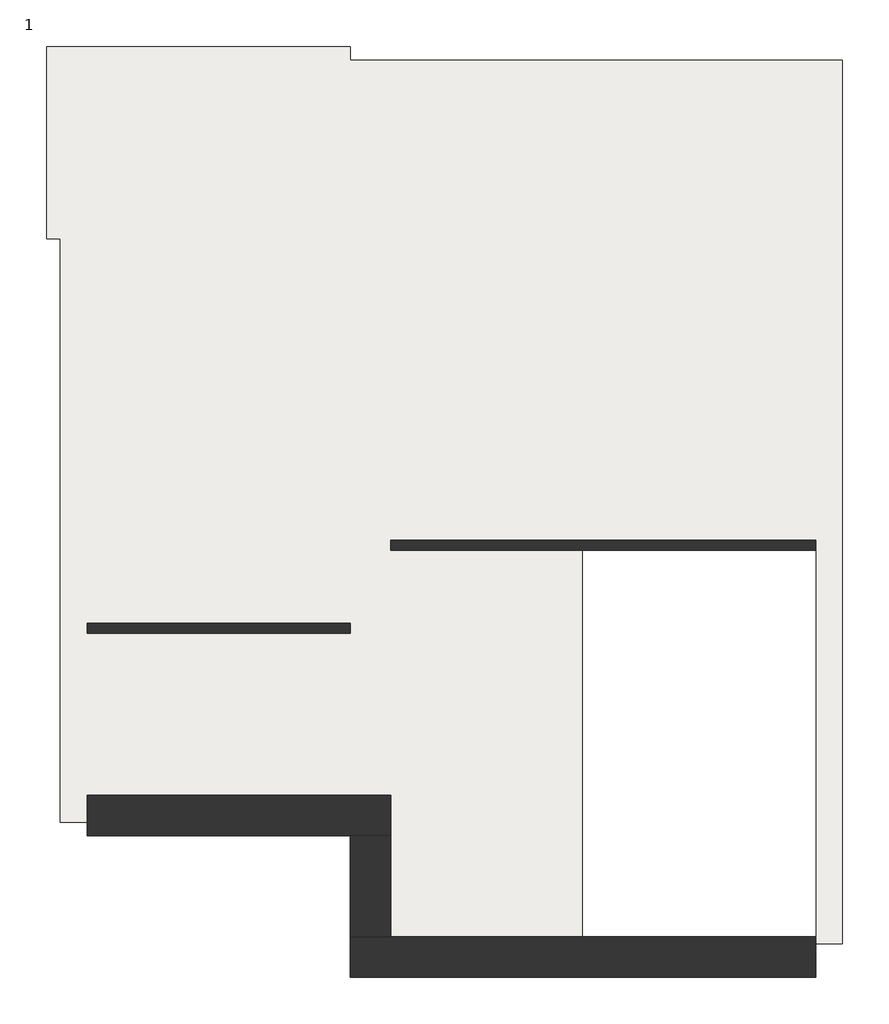
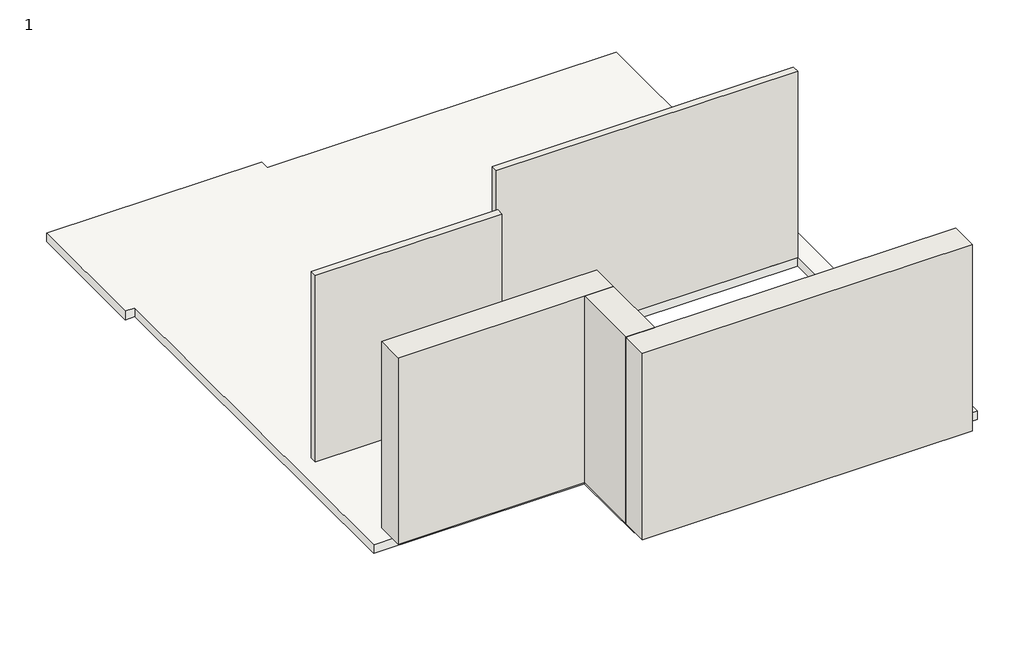
# One storey: 5 walls, 1 slab.
"""IFC4 building model written with IfcOpenShell, lengths in millimetres."""

import ifcopenshell
import ifcopenshell.guid

model = None  # the IFC model being written
_history = None  # IfcOwnerHistory: only IFC2X3 demands one
_inside = {}  # id of a spatial element -> (the spatial element, [elements in it])
_under = {}  # id of a project, library or spatial element -> (it, [spatial elements below it])
_declared = {}  # id of a project -> (the project, [libraries it declares])
_typed = {}  # id of a type object -> (the type object, [elements of that type])
_made_of = {}  # id of a material, layer set ... -> (it, [elements and type objects made of it])


def new_model(schema):
    """Start an empty IFC model of exactly this schema.

    Asked for "IFC4X3", IfcOpenShell would pick the latest addendum, in which some entities
    have other attributes; the version numbers below select the first issue.
    IFC2X3 requires an IfcOwnerHistory on every rooted entity: one is made here for all.
    """
    global model, _history
    if schema == "IFC4X3":
        model = ifcopenshell.file(schema_version=(4, 3, 0, 0))
    else:
        model = ifcopenshell.file(schema=schema)
    _inside.clear()
    _under.clear()
    _declared.clear()
    _typed.clear()
    _made_of.clear()
    _history = None
    if model.schema == "IFC2X3":
        org = make("IfcOrganization", Name="unknown")
        user = make(
            "IfcPersonAndOrganization",
            ThePerson=make("IfcPerson", FamilyName="unknown"),
            TheOrganization=org,
        )
        app = make(
            "IfcApplication",
            ApplicationDeveloper=org,
            Version="unknown",
            ApplicationFullName="unknown",
            ApplicationIdentifier="unknown",
        )
        _history = make(
            "IfcOwnerHistory",
            OwningUser=user,
            OwningApplication=app,
            ChangeAction="ADDED",
            CreationDate=0,
        )
    return model


def make(cls, **values):
    """One entity of the class cls with the attributes given. An attribute that is None is left unset."""
    return model.create_entity(
        cls, **{name: value for name, value in values.items() if value is not None}
    )


def rooted(cls, **values):
    """An entity with a GlobalId (a new one), such as an element, a storey or a relation."""
    return make(cls, GlobalId=ifcopenshell.guid.new(), OwnerHistory=_history, **values)


def si_unit(unit_type, name, prefix=None):
    """IfcSIUnit, for example si_unit("LENGTHUNIT", "METRE", prefix="MILLI")."""
    return make("IfcSIUnit", UnitType=unit_type, Prefix=prefix, Name=name)


def assignment(units):
    """IfcUnitAssignment: the units of a project."""
    return None if units is None else make("IfcUnitAssignment", Units=units)


def point(xyz):
    """IfcCartesianPoint."""
    return None if xyz is None else make("IfcCartesianPoint", Coordinates=xyz)


def direction(xyz):
    """IfcDirection."""
    return None if xyz is None else make("IfcDirection", DirectionRatios=xyz)


def frame(location, z_axis=None, x_axis=None):
    """IfcAxis2Placement3D, a coordinate frame: its origin and axes. An axis left out is left unset."""
    return make(
        "IfcAxis2Placement3D",
        Location=point(location),
        Axis=direction(z_axis),
        RefDirection=direction(x_axis),
    )


def origin():
    """The frame at (0, 0, 0) with its axes left unset."""
    return frame((0.0, 0.0, 0.0))


def place(relative_to, where):
    """IfcLocalPlacement: puts the frame where relative to a parent placement (None: the world)."""
    return make(
        "IfcLocalPlacement", PlacementRelTo=relative_to, RelativePlacement=where
    )


def context(
    kind, dimensions, precision=None, world=None, true_north=None, identifier=None
):
    """IfcGeometricRepresentationContext, for example the 3D "Model" context."""
    return make(
        "IfcGeometricRepresentationContext",
        ContextIdentifier=identifier,
        ContextType=kind,
        CoordinateSpaceDimension=dimensions,
        Precision=precision,
        WorldCoordinateSystem=world,
        TrueNorth=true_north,
    )


def project(units=None, contexts=None):
    """IfcProject with its units and contexts."""
    return rooted(
        "IfcProject",
        Name="project",
        RepresentationContexts=contexts,
        UnitsInContext=assignment(units),
    )


def spatial(cls, under=None, at=None, **own):
    """A site, building, storey or space (cls), placed at a placement, below another one or the project."""
    s = rooted(cls, ObjectPlacement=at, **own)
    if under is not None:
        _under.setdefault(under.id(), (under, []))[1].append(s)
    return s


def polyline(points):
    """IfcPolyline through the points."""
    return make("IfcPolyline", Points=[point(p) for p in points])


def outline(outer, holes=None, kind="AREA"):
    """IfcArbitraryClosedProfileDef: a profile drawn as a closed curve; with holes, ...WithVoids."""
    if holes is None:
        return make("IfcArbitraryClosedProfileDef", ProfileType=kind, OuterCurve=outer)
    return make(
        "IfcArbitraryProfileDefWithVoids",
        ProfileType=kind,
        OuterCurve=outer,
        InnerCurves=holes,
    )


def extrude(swept, where, along, depth):
    """IfcExtrudedAreaSolid: the profile swept, set in the frame where, extruded along a direction by depth."""
    return make(
        "IfcExtrudedAreaSolid",
        SweptArea=swept,
        Position=where,
        ExtrudedDirection=direction(along),
        Depth=depth,
    )


def faces_of(points, faces, orient=None, outer=None):
    """IfcFace entities. A face is a list of loops; a loop is a list of indices into points, from 0.

    orient and outer hold one flag for each loop. By default every Orientation is true, the
    first loop of a face is its IfcFaceOuterBound and the others are IfcFaceBound.
    """
    made = []
    for i, loops in enumerate(faces):
        bounds = []
        for j, loop in enumerate(loops):
            is_outer = j == 0 if outer is None else outer[i][j]
            bounds.append(
                make(
                    "IfcFaceOuterBound" if is_outer else "IfcFaceBound",
                    Bound=make("IfcPolyLoop", Polygon=[points[k] for k in loop]),
                    Orientation=True if orient is None else orient[i][j],
                )
            )
        made.append(make("IfcFace", Bounds=bounds))
    return made


def faceted_brep(points, faces, orient=None, outer=None, voids=None):
    """IfcFacetedBrep: a solid bounded by flat faces; with voids (closed shells), ...WithVoids."""
    shared = [point(p) for p in points]
    hull = make("IfcClosedShell", CfsFaces=faces_of(shared, faces, orient, outer))
    if voids is None:
        return make("IfcFacetedBrep", Outer=hull)
    return make(
        "IfcFacetedBrepWithVoids",
        Outer=hull,
        Voids=[
            make(cls, CfsFaces=faces_of(shared, fs, o, b)) for cls, fs, o, b in voids
        ],
    )


def shape(context_of_items, identifier, shape_type, items):
    """IfcShapeRepresentation: the items that make up one representation, for example the "Body"."""
    return make(
        "IfcShapeRepresentation",
        ContextOfItems=context_of_items,
        RepresentationIdentifier=identifier,
        RepresentationType=shape_type,
        Items=items,
    )


def made_of(thing, what):
    """Note that an element or type object is made of a material, layer set ...; save() writes the relation."""
    if what is not None:
        _made_of.setdefault(what.id(), (what, []))[1].append(thing)
    return thing


def element(
    cls,
    number,
    at=None,
    inside=None,
    cuts=None,
    type_object=None,
    material=None,
    context=None,
    identifier="Body",
    shape_type=None,
    held_by="IfcProductDefinitionShape",
    body=None,
    shapes=None,
    **own,
):
    """One element of the class cls, such as IfcWall. Its Tag is "e" and its number.

    at: its placement. inside: the storey or other place that contains it. cuts: it is an
    opening in that element (IfcRelVoidsElement). A single representation is given by context,
    identifier, shape_type and body (its items); several are given by shapes. held_by: the class
    of the entity that holds the representations. save() writes the other relations.
    """
    e = rooted(cls, Tag="e%d" % number, ObjectPlacement=at, **own)
    if body is not None:
        shapes = [shape(context, identifier, shape_type, body)]
    if shapes is not None:
        e.Representation = make(held_by, Representations=shapes)
    if inside is not None:
        _inside.setdefault(inside.id(), (inside, []))[1].append(e)
    if cuts is not None:
        rooted(
            "IfcRelVoidsElement", RelatingBuildingElement=cuts, RelatedOpeningElement=e
        )
    if type_object is not None:
        _typed.setdefault(type_object.id(), (type_object, []))[1].append(e)
    return made_of(e, material)


def aggregate(whole, parts):
    """IfcRelAggregates: a whole, such as a stair, and the parts it consists of."""
    return rooted("IfcRelAggregates", RelatingObject=whole, RelatedObjects=parts)


def save(model, path):
    """Write the relations noted so far, then the file.

    IfcRelAggregates (storeys below a building ...), IfcRelContainedInSpatialStructure (elements
    in a storey), IfcRelDefinesByType, IfcRelAssociatesMaterial and IfcRelDeclares: one each for
    every whole, place, type object, material and project.
    """
    for whole, parts in _under.values():
        aggregate(whole, parts)
    for where, things in _inside.values():
        rooted(
            "IfcRelContainedInSpatialStructure",
            RelatedElements=things,
            RelatingStructure=where,
        )
    for kind, things in _typed.values():
        rooted("IfcRelDefinesByType", RelatedObjects=things, RelatingType=kind)
    for what, things in _made_of.values():
        rooted("IfcRelAssociatesMaterial", RelatedObjects=things, RelatingMaterial=what)
    for by, libraries in _declared.values():
        rooted("IfcRelDeclares", RelatingContext=by, RelatedDefinitions=libraries)
    model.write(path)


model = new_model("IFC4")

# Units and contexts
model_context = context("Model", 3, world=origin())
ifc_project = project(units=[si_unit("LENGTHUNIT", "METRE", prefix="MILLI")], contexts=[model_context])

# Site, building, storey
site = spatial("IfcSite", under=ifc_project)
building = spatial("IfcBuilding", under=site)
storey = spatial("IfcBuildingStorey", under=building, Name="1", Elevation=3040.0)

# Slab
placement = place(None, origin())
element("IfcSlab", 1, ObjectType="3\" LW Concrete on 2\" Metal Deck", at=placement, inside=storey, context=model_context, shape_type="SweptSolid", body=[
    extrude(outline(polyline([(4498.1758983, 5473.5310976), (4498.1758983, -3256.4689024), (-291.8241017, -3256.4689024), (-291.8241017, -2056.4689024), (-3231.8241017, -2056.4689024), (-3231.8241017, 3708.5310976), (-3366.8241017, 3708.5310976), (-3366.8241017, 5608.5310976), (-366.8241017, 5608.5310976), (-366.8241017, 5473.5310976), (4498.1758983, 5473.5310976)]), holes=[polyline([(1933.1758983, -3191.4689024), (4233.1758983, -3191.4689024), (4233.1758983, 628.5310976), (1933.1758983, 628.5310976), (1933.1758983, -3191.4689024)])]), frame((0.0, 0.0, 2913.0), z_axis=(0.0, 0.0, 1.0), x_axis=(1.0, 0.0, 0.0)), (0.0, 0.0, 1.0), 127.0),
])

# Walls
element("IfcWall", 2, at=placement, inside=storey, context=model_context, shape_type="Brep", body=[
    faceted_brep([(4233.1758983, -3191.4689024, 3040.0), (33.1758983, -3191.4689024, 3040.0), (-366.8241017, -3191.4689024, 3040.0), (-366.8241017, -3191.4689024, 5790.0), (33.1758983, -3191.4689024, 5790.0), (4233.1758983, -3191.4689024, 5790.0), (4233.1758983, -3591.4689024, 3040.0), (4233.1758983, -3591.4689024, 5790.0), (-366.8241017, -3591.4689024, 5790.0), (-366.8241017, -3591.4689024, 3040.0), (4233.1758983, -3391.4689024, 3040.0)], [[[0, 1, 2, 3, 4, 5]], [[6, 7, 8, 9]], [[2, 1, 0, 10, 6, 9]], [[5, 4, 3, 8, 7]], [[0, 5, 7, 6, 10]], [[3, 2, 9, 8]]]),
])
element("IfcWall", 3, at=placement, inside=storey, context=model_context, shape_type="Brep", body=[
    faceted_brep([(-2966.8241017, -2191.4689024, 3040.0), (-366.8241017, -2191.4689024, 3040.0), (33.1758983, -2191.4689024, 3040.0), (33.1758983, -2191.4689024, 5790.0), (-366.8241017, -2191.4689024, 5790.0), (-2966.8241017, -2191.4689024, 5790.0), (-2966.8241017, -1791.4689024, 3040.0), (-2966.8241017, -1791.4689024, 5790.0), (-366.8241017, -1791.4689024, 5790.0), (33.1758983, -1791.4689024, 5790.0), (33.1758983, -1791.4689024, 3040.0), (-366.8241017, -1791.4689024, 3040.0), (33.1758983, -1991.4689024, 3040.0)], [[[0, 1, 2, 3, 4, 5]], [[6, 7, 8, 9, 10, 11]], [[2, 1, 0, 6, 11, 10, 12]], [[5, 4, 3, 9, 8, 7]], [[0, 5, 7, 6]], [[3, 2, 12, 10, 9]]]),
])
element("IfcWall", 4, at=placement, inside=storey, context=model_context, shape_type="SweptSolid", body=[
    extrude(outline(polyline([(-366.8241017, -3191.4689024), (-366.8241017, -2191.4689024), (33.1758983, -2191.4689024), (33.1758983, -3191.4689024), (-366.8241017, -3191.4689024)])), frame((0.0, 0.0, 3040.0), z_axis=(0.0, 0.0, 1.0), x_axis=(1.0, 0.0, 0.0)), (0.0, 0.0, 1.0), 2750.0),
])
element("IfcWall", 5, at=placement, inside=storey, context=model_context, shape_type="SweptSolid", body=[
    extrude(outline(polyline([(33.1758983, 728.5310976), (4233.1758983, 728.5310976), (4233.1758983, 628.5310976), (33.1758983, 628.5310976), (33.1758983, 728.5310976)])), frame((0.0, 0.0, 3040.0), z_axis=(0.0, 0.0, 1.0), x_axis=(1.0, 0.0, 0.0)), (0.0, 0.0, 1.0), 2750.0),
])
element("IfcWall", 6, at=placement, inside=storey, context=model_context, shape_type="SweptSolid", body=[
    extrude(outline(polyline([(-2966.8241017, -91.4689024), (-366.8241017, -91.4689024), (-366.8241017, -191.4689024), (-2966.8241017, -191.4689024), (-2966.8241017, -91.4689024)])), frame((0.0, 0.0, 3040.0), z_axis=(0.0, 0.0, 1.0), x_axis=(1.0, 0.0, 0.0)), (0.0, 0.0, 1.0), 2750.0),
])

save(model, "model.ifc")
